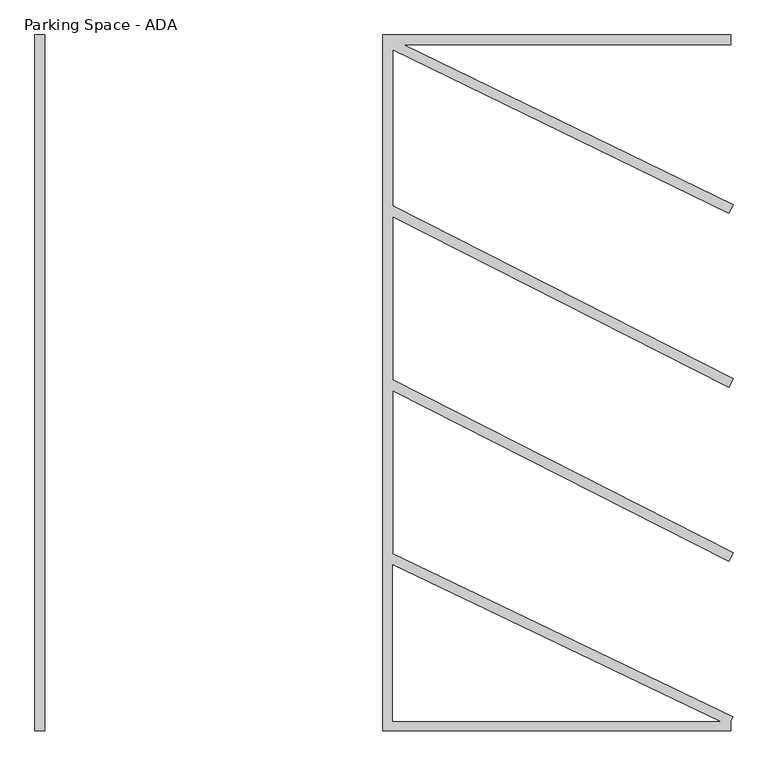
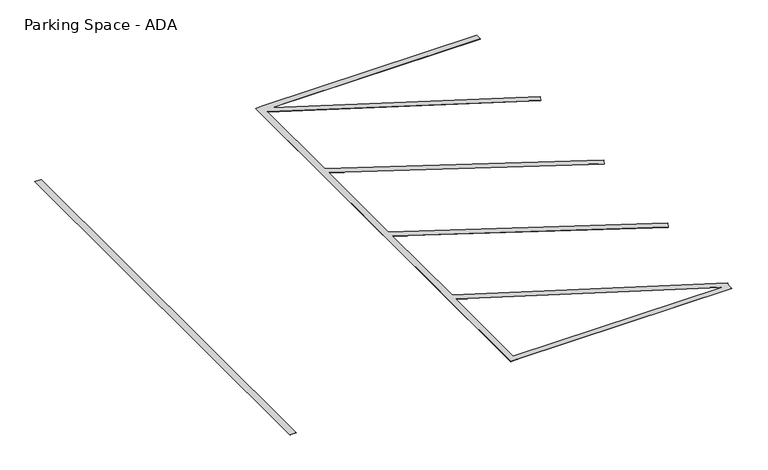
"""IFC4 building model written with IfcOpenShell, lengths in millimetres: proxy geometry, Parking Space - ADA."""

from ifc_helpers import new_model, si_unit, origin, origin_with_axes, place, context, project, spatial, polyline, outline, extrude, source, transform, mapped, element, save


def parking_space_ada_15109886(model_context):
    return source(origin(), model_context, "Body", "SweptSolid", [
        extrude(outline(polyline([(4046.2620479, -859.2253385), (3970.0620479, -859.2253385), (3970.0620479, 4627.1746615), (4046.2620479, 4627.1746615), (6713.2620479, 4627.1746615), (6713.2620479, 4550.9746615), (4133.4665671, 4550.9746615), (6729.9080889, 3289.8459224), (6696.6160069, 3221.3034007), (4046.2620479, 4508.6181808), (4046.2620479, 3278.9741126), (6730.4920616, 1917.9560775), (6696.0320342, 1849.9932456), (4046.2620479, 3193.5385908), (4046.2620479, 1907.3741126), (6730.4920616, 546.3560775), (6696.0320342, 478.3932456), (4046.2620479, 1821.9385908), (4046.2620479, 536.3728461), (6729.717626, -748.6622194), (6713.2620479, -783.0253385), (6713.2620479, -859.2253385), (4046.2620479, -859.2253385)]), holes=[polyline([(6625.0481918, -783.0253385), (4046.2620479, 451.8863361), (4046.2620479, -783.0253385), (6625.0481918, -783.0253385)])]), origin_with_axes(), (0.0, 0.0, 1.0), 1.5875),
        extrude(outline(polyline([(1303.0620479, -859.2253385), (1226.8620479, -859.2253385), (1226.8620479, 4627.1746615), (1303.0620479, 4627.1746615), (1303.0620479, -859.2253385)])), origin_with_axes(), (0.0, 0.0, 1.0), 1.5875),
    ])


if __name__ == "__main__":
    model = new_model("IFC4")
    model_context = context("Model", 3, world=origin())
    ifc_project = project(units=[si_unit("LENGTHUNIT", "METRE", prefix="MILLI")], contexts=[model_context])
    site = spatial("IfcSite", under=ifc_project)
    building = spatial("IfcBuilding", under=site)
    placement = place(None, origin())
    parking_space_ada_shape = parking_space_ada_15109886(model_context)
    element("IfcBuildingElementProxy", 1, Name="Parking Space - ADA", ObjectType="Parking Space - ADA", at=placement, inside=building, context=model_context, shape_type="MappedRepresentation", body=[
        mapped(parking_space_ada_shape, transform((0.0, 0.0, 0.0), x_axis=(1.0, 0.0, 0.0), y_axis=(0.0, 1.0, 0.0), z_axis=(0.0, 0.0, 1.0))),
    ])
    save(model, "model.ifc")
